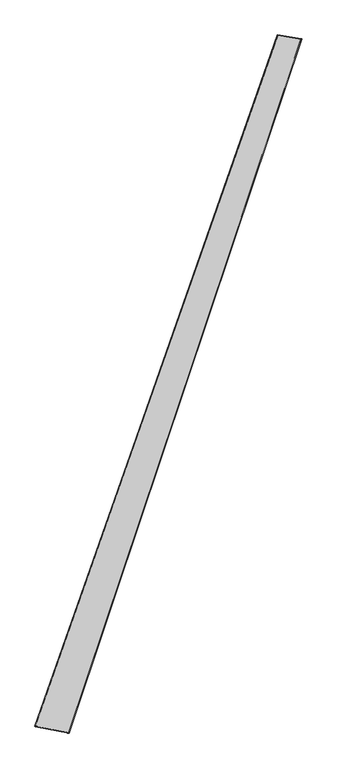
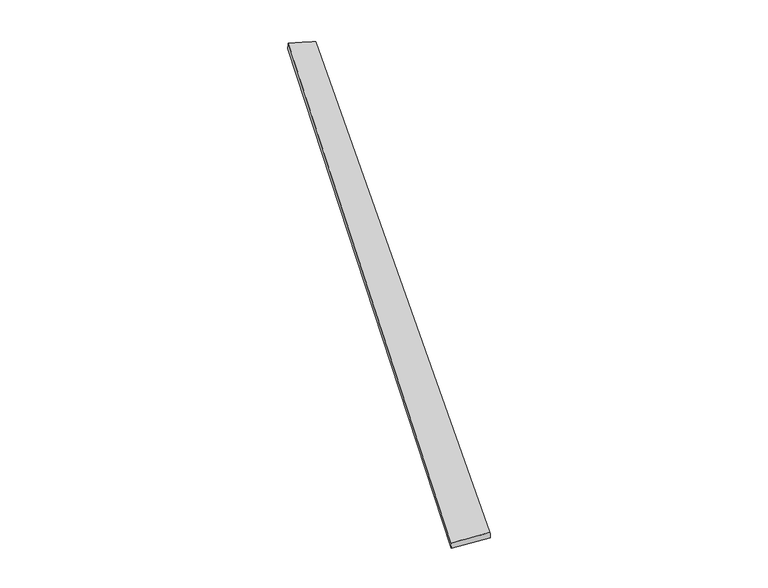
"""IFC4 building model written with IfcOpenShell, lengths in millimetres: proxy geometry."""

import ifcopenshell
import ifcopenshell.guid

model = None  # the IFC model being written
_history = None  # IfcOwnerHistory: only IFC2X3 demands one
_inside = {}  # id of a spatial element -> (the spatial element, [elements in it])
_under = {}  # id of a project, library or spatial element -> (it, [spatial elements below it])
_declared = {}  # id of a project -> (the project, [libraries it declares])
_typed = {}  # id of a type object -> (the type object, [elements of that type])
_made_of = {}  # id of a material, layer set ... -> (it, [elements and type objects made of it])


def new_model(schema):
    """Start an empty IFC model of exactly this schema.

    Asked for "IFC4X3", IfcOpenShell would pick the latest addendum, in which some entities
    have other attributes; the version numbers below select the first issue.
    IFC2X3 requires an IfcOwnerHistory on every rooted entity: one is made here for all.
    """
    global model, _history
    if schema == "IFC4X3":
        model = ifcopenshell.file(schema_version=(4, 3, 0, 0))
    else:
        model = ifcopenshell.file(schema=schema)
    _inside.clear()
    _under.clear()
    _declared.clear()
    _typed.clear()
    _made_of.clear()
    _history = None
    if model.schema == "IFC2X3":
        org = make("IfcOrganization", Name="unknown")
        user = make(
            "IfcPersonAndOrganization",
            ThePerson=make("IfcPerson", FamilyName="unknown"),
            TheOrganization=org,
        )
        app = make(
            "IfcApplication",
            ApplicationDeveloper=org,
            Version="unknown",
            ApplicationFullName="unknown",
            ApplicationIdentifier="unknown",
        )
        _history = make(
            "IfcOwnerHistory",
            OwningUser=user,
            OwningApplication=app,
            ChangeAction="ADDED",
            CreationDate=0,
        )
    return model


def make(cls, **values):
    """One entity of the class cls with the attributes given. An attribute that is None is left unset."""
    return model.create_entity(
        cls, **{name: value for name, value in values.items() if value is not None}
    )


def rooted(cls, **values):
    """An entity with a GlobalId (a new one), such as an element, a storey or a relation."""
    return make(cls, GlobalId=ifcopenshell.guid.new(), OwnerHistory=_history, **values)


def si_unit(unit_type, name, prefix=None):
    """IfcSIUnit, for example si_unit("LENGTHUNIT", "METRE", prefix="MILLI")."""
    return make("IfcSIUnit", UnitType=unit_type, Prefix=prefix, Name=name)


def assignment(units):
    """IfcUnitAssignment: the units of a project."""
    return None if units is None else make("IfcUnitAssignment", Units=units)


def point(xyz):
    """IfcCartesianPoint."""
    return None if xyz is None else make("IfcCartesianPoint", Coordinates=xyz)


def direction(xyz):
    """IfcDirection."""
    return None if xyz is None else make("IfcDirection", DirectionRatios=xyz)


def frame(location, z_axis=None, x_axis=None):
    """IfcAxis2Placement3D, a coordinate frame: its origin and axes. An axis left out is left unset."""
    return make(
        "IfcAxis2Placement3D",
        Location=point(location),
        Axis=direction(z_axis),
        RefDirection=direction(x_axis),
    )


def origin():
    """The frame at (0, 0, 0) with its axes left unset."""
    return frame((0.0, 0.0, 0.0))


def place(relative_to, where):
    """IfcLocalPlacement: puts the frame where relative to a parent placement (None: the world)."""
    return make(
        "IfcLocalPlacement", PlacementRelTo=relative_to, RelativePlacement=where
    )


def context(
    kind, dimensions, precision=None, world=None, true_north=None, identifier=None
):
    """IfcGeometricRepresentationContext, for example the 3D "Model" context."""
    return make(
        "IfcGeometricRepresentationContext",
        ContextIdentifier=identifier,
        ContextType=kind,
        CoordinateSpaceDimension=dimensions,
        Precision=precision,
        WorldCoordinateSystem=world,
        TrueNorth=true_north,
    )


def project(units=None, contexts=None):
    """IfcProject with its units and contexts."""
    return rooted(
        "IfcProject",
        Name="project",
        RepresentationContexts=contexts,
        UnitsInContext=assignment(units),
    )


def spatial(cls, under=None, at=None, **own):
    """A site, building, storey or space (cls), placed at a placement, below another one or the project."""
    s = rooted(cls, ObjectPlacement=at, **own)
    if under is not None:
        _under.setdefault(under.id(), (under, []))[1].append(s)
    return s


def shape(context_of_items, identifier, shape_type, items):
    """IfcShapeRepresentation: the items that make up one representation, for example the "Body"."""
    return make(
        "IfcShapeRepresentation",
        ContextOfItems=context_of_items,
        RepresentationIdentifier=identifier,
        RepresentationType=shape_type,
        Items=items,
    )


def source(mapping_origin, context_of_items, identifier, shape_type, items):
    """IfcRepresentationMap: a shape defined once, which mapped items show again and again."""
    return make(
        "IfcRepresentationMap",
        MappingOrigin=mapping_origin,
        MappedRepresentation=shape(context_of_items, identifier, shape_type, items),
    )


def transform(
    local_origin,
    x_axis=None,
    y_axis=None,
    z_axis=None,
    scale=None,
    scale2=None,
    scale3=None,
    uniform=True,
):
    """IfcCartesianTransformationOperator3D, or its non-uniform kind. x_axis, y_axis, z_axis: its Axis1, 2, 3."""
    if uniform:
        return make(
            "IfcCartesianTransformationOperator3D",
            Axis1=direction(x_axis),
            Axis2=direction(y_axis),
            LocalOrigin=point(local_origin),
            Scale=scale,
            Axis3=direction(z_axis),
        )
    return make(
        "IfcCartesianTransformationOperator3DnonUniform",
        Axis1=direction(x_axis),
        Axis2=direction(y_axis),
        LocalOrigin=point(local_origin),
        Scale=scale,
        Axis3=direction(z_axis),
        Scale2=scale2,
        Scale3=scale3,
    )


def mapped(mapping_source, mapping_target):
    """IfcMappedItem: shows the shape of a source again, moved by a transform."""
    return make(
        "IfcMappedItem", MappingSource=mapping_source, MappingTarget=mapping_target
    )


def made_of(thing, what):
    """Note that an element or type object is made of a material, layer set ...; save() writes the relation."""
    if what is not None:
        _made_of.setdefault(what.id(), (what, []))[1].append(thing)
    return thing


def element(
    cls,
    number,
    at=None,
    inside=None,
    cuts=None,
    type_object=None,
    material=None,
    context=None,
    identifier="Body",
    shape_type=None,
    held_by="IfcProductDefinitionShape",
    body=None,
    shapes=None,
    **own,
):
    """One element of the class cls, such as IfcWall. Its Tag is "e" and its number.

    at: its placement. inside: the storey or other place that contains it. cuts: it is an
    opening in that element (IfcRelVoidsElement). A single representation is given by context,
    identifier, shape_type and body (its items); several are given by shapes. held_by: the class
    of the entity that holds the representations. save() writes the other relations.
    """
    e = rooted(cls, Tag="e%d" % number, ObjectPlacement=at, **own)
    if body is not None:
        shapes = [shape(context, identifier, shape_type, body)]
    if shapes is not None:
        e.Representation = make(held_by, Representations=shapes)
    if inside is not None:
        _inside.setdefault(inside.id(), (inside, []))[1].append(e)
    if cuts is not None:
        rooted(
            "IfcRelVoidsElement", RelatingBuildingElement=cuts, RelatedOpeningElement=e
        )
    if type_object is not None:
        _typed.setdefault(type_object.id(), (type_object, []))[1].append(e)
    return made_of(e, material)


def aggregate(whole, parts):
    """IfcRelAggregates: a whole, such as a stair, and the parts it consists of."""
    return rooted("IfcRelAggregates", RelatingObject=whole, RelatedObjects=parts)


def save(model, path):
    """Write the relations noted so far, then the file.

    IfcRelAggregates (storeys below a building ...), IfcRelContainedInSpatialStructure (elements
    in a storey), IfcRelDefinesByType, IfcRelAssociatesMaterial and IfcRelDeclares: one each for
    every whole, place, type object, material and project.
    """
    for whole, parts in _under.values():
        aggregate(whole, parts)
    for where, things in _inside.values():
        rooted(
            "IfcRelContainedInSpatialStructure",
            RelatedElements=things,
            RelatingStructure=where,
        )
    for kind, things in _typed.values():
        rooted("IfcRelDefinesByType", RelatedObjects=things, RelatingType=kind)
    for what, things in _made_of.values():
        rooted("IfcRelAssociatesMaterial", RelatedObjects=things, RelatingMaterial=what)
    for by, libraries in _declared.values():
        rooted("IfcRelDeclares", RelatingContext=by, RelatedDefinitions=libraries)
    model.write(path)


def spline_surface(u_degree, v_degree, points, u_multiplicities, v_multiplicities, u_knots, v_knots, weights=None):
    """IfcBSplineSurfaceWithKnots; with weights, IfcRationalBSplineSurfaceWithKnots. points: one row for each step in u."""
    own = dict(
        UDegree=u_degree,
        VDegree=v_degree,
        ControlPointsList=[[point(p) for p in row] for row in points],
        SurfaceForm="UNSPECIFIED",
        UClosed=False,
        VClosed=False,
        SelfIntersect=False,
        UMultiplicities=u_multiplicities,
        VMultiplicities=v_multiplicities,
        UKnots=u_knots,
        VKnots=v_knots,
        KnotSpec="UNSPECIFIED",
    )
    if weights is None:
        return make("IfcBSplineSurfaceWithKnots", **own)
    return make("IfcRationalBSplineSurfaceWithKnots", WeightsData=weights, **own)


def advanced_brep(points, edges, surfaces, faces):
    """IfcAdvancedBrep: a solid bounded by faces that lie on surfaces and meet in shared edges.

    An edge is (start, end): straight between two places in points (the first is 0);
    or (start, end, curve); or (start, end, curve, False) where it runs against its curve.
    A face is (place in surfaces, loops), or (place, loops, False) where it looks against
    its surface's normal. A loop lists edges by number (the first is 1), with a minus sign
    where the edge is run from its end to its start. The first loop is the outer one.
    """
    corners = [point(p) for p in points]
    vertices = [make("IfcVertexPoint", VertexGeometry=c) for c in corners]
    made = []
    for start, end, *more in edges:
        made.append(
            make(
                "IfcEdgeCurve",
                EdgeStart=vertices[start],
                EdgeEnd=vertices[end],
                EdgeGeometry=more[0] if more else make("IfcPolyline", Points=[corners[start], corners[end]]),
                SameSense=more[1] if len(more) > 1 else True,
            )
        )
    hull = []
    for where, loops, *sense in faces:
        bounds = []
        for j, loop in enumerate(loops):
            ring = [make("IfcOrientedEdge", EdgeElement=made[abs(k) - 1], Orientation=k > 0) for k in loop]
            bounds.append(
                make(
                    "IfcFaceOuterBound" if j == 0 else "IfcFaceBound",
                    Bound=make("IfcEdgeLoop", EdgeList=ring),
                    Orientation=True,
                )
            )
        hull.append(make("IfcAdvancedFace", Bounds=bounds, FaceSurface=surfaces[where], SameSense=sense[0] if sense else True))
    return make("IfcAdvancedBrep", Outer=make("IfcClosedShell", CfsFaces=hull))


def generic_models_d053c22e(model_context):
    return source(origin(), model_context, "Body", "AdvancedBrep", [
        advanced_brep(
        [(-678.4537774, -1718.7495693, -7.8374645), (-681.0908696, -1717.9755198, 22.0363801), (672.303098, 2126.3103432, 41.2643408), (669.1313287, 2127.5711242, 11.4591347), (-491.9598199, -1754.4751309, 37.7508556), (806.0011954, 2104.3730186, 17.7242882), (-489.996703, -1755.279908, 7.8259746), (799.3191516, 2106.4583531, -11.4476447)],
        [
            (0, 1),
            (1, 2),
            (2, 3),
            (3, 0),
            (1, 4),
            (4, 5),
            (5, 2),
            (4, 6),
            (6, 7),
            (7, 5),
            (6, 0),
            (3, 7),
        ],
        [
            spline_surface(1, 1, [[(-678.4537774, -1718.7495693, -7.8374645), (669.1313287, 2127.5711242, 11.4591347)], [(-681.0908696, -1717.9755198, 22.0363801), (672.303098, 2126.3103432, 41.2643408)]], [2, 2], [2, 2], [0.0, 1.0], [0.0, 1.0]),
            spline_surface(1, 1, [[(-681.0908696, -1717.9755198, 22.0363801), (672.303098, 2126.3103432, 41.2643408)], [(-491.9598199, -1754.4751309, 37.7508556), (806.0011954, 2104.3730186, 17.7242882)]], [2, 2], [2, 2], [0.0, 1.0], [0.0, 1.0]),
            spline_surface(1, 1, [[(-491.9598199, -1754.4751309, 37.7508556), (806.0011954, 2104.3730186, 17.7242882)], [(-489.996703, -1755.279908, 7.8259746), (799.3191516, 2106.4583531, -11.4476447)]], [2, 2], [2, 2], [0.0, 1.0], [0.0, 1.0]),
            spline_surface(1, 1, [[(-489.996703, -1755.279908, 7.8259746), (799.3191516, 2106.4583531, -11.4476447)], [(-678.4537774, -1718.7495693, -7.8374645), (669.1313287, 2127.5711242, 11.4591347)]], [2, 2], [2, 2], [0.0, 1.0], [0.0, 1.0]),
            spline_surface(1, 1, [[(672.303098, 2126.3103432, 41.2643408), (669.1313287, 2127.5711242, 11.4591347)], [(806.0011954, 2104.3730186, 17.7242882), (799.3191516, 2106.4583531, -11.4476447)]], [2, 2], [2, 2], [0.0, 1.0], [0.0, 1.0]),
            spline_surface(1, 1, [[(-489.996703, -1755.279908, 7.8259746), (-678.4537774, -1718.7495693, -7.8374645)], [(-491.9598199, -1754.4751309, 37.7508556), (-681.0908696, -1717.9755198, 22.0363801)]], [2, 2], [2, 2], [0.0, 1.0], [0.0, 1.0]),
        ],
        [
            (0, [[1, 2, 3, 4]]),
            (1, [[5, 6, 7, -2]]),
            (2, [[8, 9, 10, -6]]),
            (3, [[11, -4, 12, -9]]),
            (4, [[-3, -7, -10, -12]]),
            (5, [[-11, -8, -5, -1]]),
        ],
    ),
    ])


if __name__ == "__main__":
    model = new_model("IFC4")
    model_context = context("Model", 3, world=origin())
    ifc_project = project(units=[si_unit("LENGTHUNIT", "METRE", prefix="MILLI")], contexts=[model_context])
    site = spatial("IfcSite", under=ifc_project)
    building = spatial("IfcBuilding", under=site)
    placement = place(None, origin())
    generic_models_shape = generic_models_d053c22e(model_context)
    element("IfcBuildingElementProxy", 1, Name="Generic Models", at=placement, inside=building, context=model_context, shape_type="MappedRepresentation", body=[
        mapped(generic_models_shape, transform((0.0, 0.0, 0.0), x_axis=(1.0, 0.0, 0.0), y_axis=(0.0, 1.0, 0.0), z_axis=(0.0, 0.0, 1.0))),
    ])
    save(model, "model.ifc")
